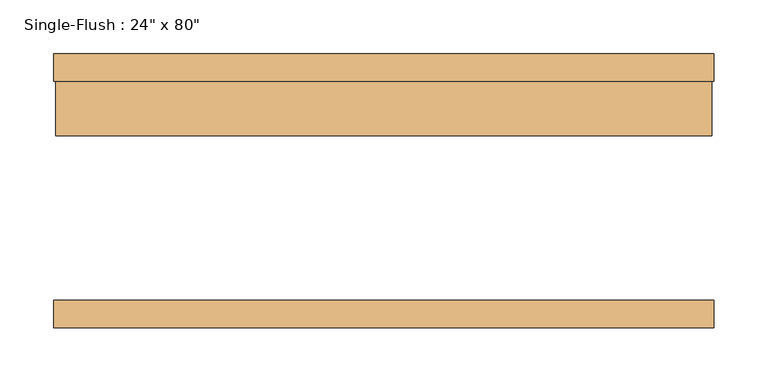
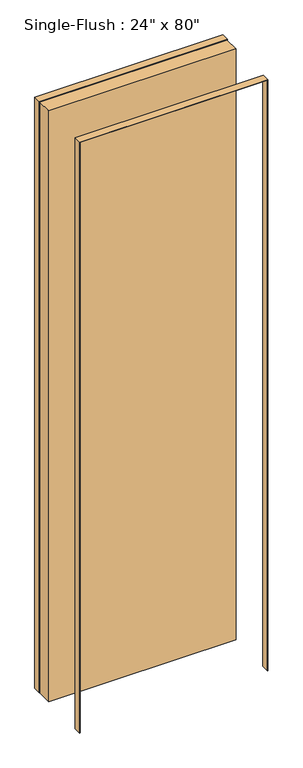
"""IFC4 building model written with IfcOpenShell, lengths in millimetres: door geometry."""

from ifc_helpers import new_model, si_unit, frame, origin, origin_with_axes, place, context, project, spatial, polyline, outline, extrude, source, transform, mapped, element, save


def door_6d262465(model_context):
    return source(origin(), model_context, "Body", "SweptSolid", [
        extrude(outline(polyline([(2033.5875, -306.3875), (0.0, -306.3875), (0.0, -304.8), (2032.0, -304.8), (2032.0, 304.8), (0.0, 304.8), (0.0, 306.3875), (2033.5875, 306.3875), (2033.5875, -306.3875)])), frame((0.0, 101.6, 0.0), z_axis=(0.0, 1.0, 0.0), x_axis=(0.0, 0.0, 1.0)), (0.0, 0.0, 1.0), 25.4),
        extrude(outline(polyline([(2033.5875, 306.3875), (2033.5875, -306.3875), (0.0, -306.3875), (0.0, -304.8), (2032.0, -304.8), (2032.0, 304.8), (0.0, 304.8), (0.0, 306.3875), (2033.5875, 306.3875)])), frame((0.0, -127.0, 0.0), z_axis=(0.0, 1.0, 0.0), x_axis=(0.0, 0.0, 1.0)), (0.0, 0.0, 1.0), 25.4),
        extrude(outline(polyline([(304.8, 50.8), (-304.8, 50.8), (-304.8, 101.6), (304.8, 101.6), (304.8, 50.8)])), origin_with_axes(), (0.0, 0.0, 1.0), 2032.0),
    ])


if __name__ == "__main__":
    model = new_model("IFC4")
    model_context = context("Model", 3, world=origin())
    ifc_project = project(units=[si_unit("LENGTHUNIT", "METRE", prefix="MILLI")], contexts=[model_context])
    site = spatial("IfcSite", under=ifc_project)
    building = spatial("IfcBuilding", under=site)
    placement = place(None, origin())
    door_shape = door_6d262465(model_context)
    element("IfcDoor", 1, ObjectType="Single-Flush : 24\" x 80\"", at=placement, inside=building, context=model_context, shape_type="MappedRepresentation", body=[
        mapped(door_shape, transform((0.0, 0.0, 0.0), x_axis=(1.0, 0.0, 0.0), y_axis=(0.0, 1.0, 0.0), z_axis=(0.0, 0.0, 1.0))),
    ])
    save(model, "model.ifc")
